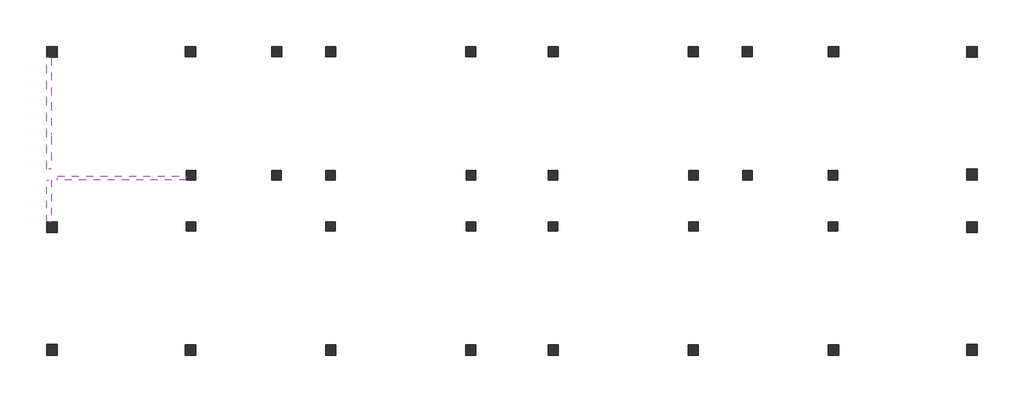
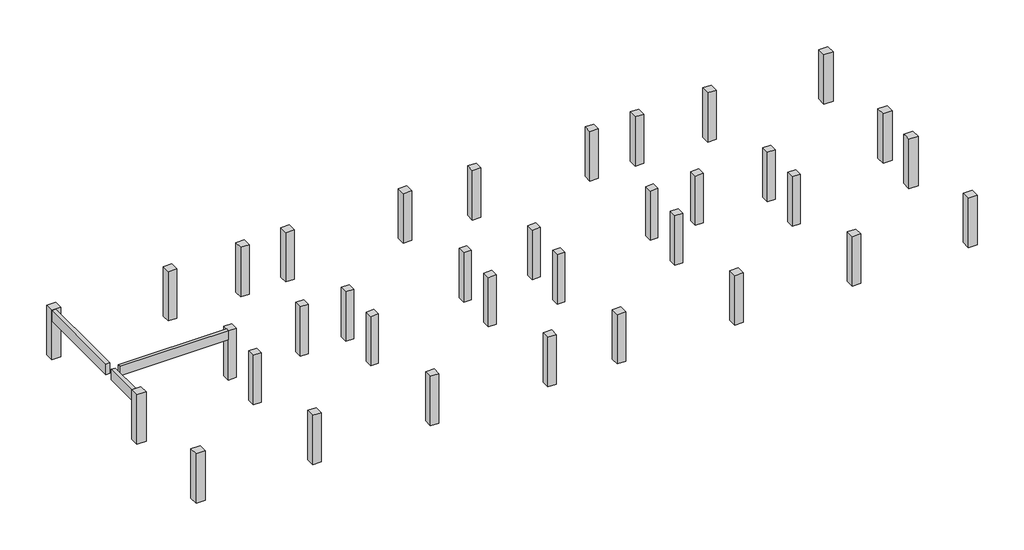
# One storey: 35 columns, 3 beams.
"""IFC4 building model written with IfcOpenShell, lengths in millimetres."""

from ifc_helpers import new_model, si_unit, origin, origin_with_axes, place, context, project, spatial, polyline, outline, extrude, faceted_brep, element, save

model = new_model("IFC4")

# Units and contexts
model_context = context("Model", 3, world=origin())
ifc_project = project(units=[si_unit("LENGTHUNIT", "METRE", prefix="MILLI")], contexts=[model_context])

# Site, building, storey
site = spatial("IfcSite", under=ifc_project)
building = spatial("IfcBuilding", under=site)
storey = spatial("IfcBuildingStorey", under=building, Elevation=0.0)

# Beams
placement = place(None, origin())
element("IfcBeam", 1, at=placement, inside=storey, context=model_context, shape_type="Brep", body=[
    faceted_brep([(-24705.1125676, 2318.5678722, 4000.0), (-25005.1125676, 2318.5678722, 4000.0), (-25005.1125676, -381.4321278, 4000.0), (-24705.1125676, -381.4321278, 4000.0), (-24705.1125676, 2318.5678722, 3150.0), (-24705.1125676, 2318.5678722, 3700.0), (-24705.1125676, -381.4321278, 3700.0), (-24705.1125676, -381.4321278, 3150.0), (-25005.1125676, 2318.5678722, 3150.0), (-25005.1125676, -381.4321278, 3150.0), (-25005.1125676, 2318.5678722, 3700.0), (-25005.1125676, -381.4321278, 3700.0)], [[[0, 1, 2, 3]], [[4, 5, 0, 3, 6, 7]], [[8, 4, 7, 9]], [[1, 10, 8, 9, 11, 2]], [[2, 11, 9, 7, 6, 3]], [[1, 0, 5, 4, 8, 10]]]),
])
element("IfcBeam", 2, at=placement, inside=storey, context=model_context, shape_type="Brep", body=[
    faceted_brep([(-24705.1125676, 10193.5678722, 4000.0), (-25005.1125676, 10193.5678722, 4000.0), (-25005.1125676, 3018.5678722, 4000.0), (-24705.1125676, 3018.5678722, 4000.0), (-24705.1125676, 5118.5678722, 4000.0), (-24705.1125676, 5318.5678722, 4000.0), (-24705.1125676, 10193.5678722, 3150.0), (-24705.1125676, 10193.5678722, 3700.0), (-24705.1125676, 3018.5678722, 3700.0), (-24705.1125676, 3018.5678722, 3150.0), (-25005.1125676, 10193.5678722, 3150.0), (-25005.1125676, 3018.5678722, 3150.0), (-25005.1125676, 10193.5678722, 3700.0), (-25005.1125676, 3018.5678722, 3700.0)], [[[0, 1, 2, 3, 4, 5]], [[6, 7, 0, 5, 4, 3, 8, 9]], [[10, 6, 9, 11]], [[1, 12, 10, 11, 13, 2]], [[1, 0, 7, 6, 10, 12]], [[2, 13, 11, 9, 8, 3]]]),
])
element("IfcBeam", 3, at=placement, inside=storey, context=model_context, shape_type="Brep", body=[
    faceted_brep([(-24305.1125676, 2568.5678722, 4000.0), (-24305.1125676, 2318.5678722, 4000.0), (-16030.1125676, 2318.5678722, 4000.0), (-16030.1125676, 2568.5678722, 4000.0), (-24305.1125676, 2318.5678722, 3700.0), (-24305.1125676, 2318.5678722, 3250.0), (-16030.1125676, 2318.5678722, 3250.0), (-24305.1125676, 2568.5678722, 3250.0), (-16030.1125676, 2568.5678722, 3250.0), (-24305.1125676, 2568.5678722, 3700.0)], [[[0, 1, 2, 3]], [[1, 4, 5, 6, 2]], [[5, 7, 8, 6]], [[7, 9, 0, 3, 8]], [[0, 9, 7, 5, 4, 1]], [[3, 2, 6, 8]]]),
])

# Columns
element("IfcColumn", 4, at=placement, inside=storey, context=model_context, shape_type="SweptSolid", body=[
    extrude(outline(polyline([(-24305.1125676, 10893.5678722), (-24305.1125676, 10193.5678722), (-25005.1125676, 10193.5678722), (-25005.1125676, 10893.5678722), (-24305.1125676, 10893.5678722)])), origin_with_axes(), (0.0, 0.0, 1.0), 4000.0),
])
element("IfcColumn", 5, at=placement, inside=storey, context=model_context, shape_type="SweptSolid", body=[
    extrude(outline(polyline([(-24305.1125676, -381.4321278), (-24305.1125676, -1081.4321278), (-25005.1125676, -1081.4321278), (-25005.1125676, -381.4321278), (-24305.1125676, -381.4321278)])), origin_with_axes(), (0.0, 0.0, 1.0), 4000.0),
])
element("IfcColumn", 6, at=placement, inside=storey, context=model_context, shape_type="SweptSolid", body=[
    extrude(outline(polyline([(-24305.1125676, -8256.4321278), (-24305.1125676, -8956.4321278), (-25005.1125676, -8956.4321278), (-25005.1125676, -8256.4321278), (-24305.1125676, -8256.4321278)])), origin_with_axes(), (0.0, 0.0, 1.0), 4000.0),
])
element("IfcColumn", 7, at=placement, inside=storey, context=model_context, shape_type="SweptSolid", body=[
    extrude(outline(polyline([(-15430.1125676, 10893.5678722), (-15430.1125676, 10243.5678722), (-16080.1125676, 10243.5678722), (-16080.1125676, 10893.5678722), (-15430.1125676, 10893.5678722)])), origin_with_axes(), (0.0, 0.0, 1.0), 4000.0),
])
element("IfcColumn", 8, at=placement, inside=storey, context=model_context, shape_type="SweptSolid", body=[
    extrude(outline(polyline([(-9880.1125676, 10893.5678722), (-9880.1125676, 10243.5678722), (-10530.1125676, 10243.5678722), (-10530.1125676, 10893.5678722), (-9880.1125676, 10893.5678722)])), origin_with_axes(), (0.0, 0.0, 1.0), 4000.0),
])
element("IfcColumn", 9, at=placement, inside=storey, context=model_context, shape_type="SweptSolid", body=[
    extrude(outline(polyline([(-6430.1125676, 10893.5678722), (-6430.1125676, 10243.5678722), (-7080.1125676, 10243.5678722), (-7080.1125676, 10893.5678722), (-6430.1125676, 10893.5678722)])), origin_with_axes(), (0.0, 0.0, 1.0), 4000.0),
])
element("IfcColumn", 10, at=placement, inside=storey, context=model_context, shape_type="Brep", body=[
    faceted_brep([(2569.8874324, 10893.5678722, 0.0), (2569.8874324, 10243.5678722, 0.0), (1919.8874324, 10243.5678722, 0.0), (1919.8874324, 10893.5678722, 0.0), (2569.8874324, 10893.5678722, 4000.0), (2569.8874324, 10593.5678722, 4000.0), (2569.8874324, 10243.5678722, 4000.0), (2569.8874324, 10893.5678722, 3100.0), (1919.8874324, 10243.5678722, 4000.0), (1919.8874324, 10593.5678722, 4000.0), (1919.8874324, 10893.5678722, 4000.0), (1919.8874324, 10893.5678722, 3100.0)], [[[0, 1, 2, 3]], [[4, 5, 6, 1, 0, 7]], [[6, 8, 2, 1]], [[8, 9, 10, 11, 3, 2]], [[10, 4, 7, 0, 3, 11]], [[4, 10, 9, 8, 6, 5]]]),
])
element("IfcColumn", 11, at=placement, inside=storey, context=model_context, shape_type="SweptSolid", body=[
    extrude(outline(polyline([(7869.8874324, 10893.5678722), (7869.8874324, 10243.5678722), (7219.8874324, 10243.5678722), (7219.8874324, 10893.5678722), (7869.8874324, 10893.5678722)])), origin_with_axes(), (0.0, 0.0, 1.0), 4000.0),
])
element("IfcColumn", 12, at=placement, inside=storey, context=model_context, shape_type="SweptSolid", body=[
    extrude(outline(polyline([(16869.8874324, 10893.5678722), (16869.8874324, 10243.5678722), (16219.8874324, 10243.5678722), (16219.8874324, 10893.5678722), (16869.8874324, 10893.5678722)])), origin_with_axes(), (0.0, 0.0, 1.0), 4000.0),
])
element("IfcColumn", 13, at=placement, inside=storey, context=model_context, shape_type="SweptSolid", body=[
    extrude(outline(polyline([(20319.8874324, 10893.5678722), (20319.8874324, 10243.5678722), (19669.8874324, 10243.5678722), (19669.8874324, 10893.5678722), (20319.8874324, 10893.5678722)])), origin_with_axes(), (0.0, 0.0, 1.0), 4000.0),
])
element("IfcColumn", 14, at=placement, inside=storey, context=model_context, shape_type="SweptSolid", body=[
    extrude(outline(polyline([(25869.8874324, 10893.5678722), (25869.8874324, 10243.5678722), (25219.8874324, 10243.5678722), (25219.8874324, 10893.5678722), (25869.8874324, 10893.5678722)])), origin_with_axes(), (0.0, 0.0, 1.0), 4000.0),
])
element("IfcColumn", 15, at=placement, inside=storey, context=model_context, shape_type="SweptSolid", body=[
    extrude(outline(polyline([(34794.8874324, 10893.5678722), (34794.8874324, 10193.5678722), (34094.8874324, 10193.5678722), (34094.8874324, 10893.5678722), (34794.8874324, 10893.5678722)])), origin_with_axes(), (0.0, 0.0, 1.0), 4000.0),
])
element("IfcColumn", 16, at=placement, inside=storey, context=model_context, shape_type="SweptSolid", body=[
    extrude(outline(polyline([(34794.8874324, 3018.5678722), (34794.8874324, 2318.5678722), (34094.8874324, 2318.5678722), (34094.8874324, 3018.5678722), (34794.8874324, 3018.5678722)])), origin_with_axes(), (0.0, 0.0, 1.0), 4000.0),
])
element("IfcColumn", 17, at=placement, inside=storey, context=model_context, shape_type="Brep", body=[
    faceted_brep([(34794.8874324, -381.4321278, 0.0), (34794.8874324, -1081.4321278, 0.0), (34094.8874324, -1081.4321278, 0.0), (34094.8874324, -381.4321278, 0.0), (34794.8874324, -381.4321278, 4000.0), (34794.8874324, -1081.4321278, 4000.0), (34094.8874324, -1081.4321278, 4000.0), (34094.8874324, -631.4321278, 4000.0), (34094.8874324, -381.4321278, 4000.0), (34094.8874324, -381.4321278, 3250.0)], [[[0, 1, 2, 3]], [[4, 5, 1, 0]], [[5, 6, 2, 1]], [[6, 7, 8, 9, 3, 2]], [[8, 4, 0, 3, 9]], [[4, 8, 7, 6, 5]]]),
])
element("IfcColumn", 18, at=placement, inside=storey, context=model_context, shape_type="Brep", body=[
    faceted_brep([(34794.8874324, -8256.4321278, 0.0), (34794.8874324, -8956.4321278, 0.0), (34094.8874324, -8956.4321278, 0.0), (34094.8874324, -8256.4321278, 0.0), (34794.8874324, -8256.4321278, 4000.0), (34794.8874324, -8956.4321278, 4000.0), (34094.8874324, -8956.4321278, 4000.0), (34094.8874324, -8956.4321278, 3100.0), (34094.8874324, -8656.4321278, 4000.0), (34094.8874324, -8256.4321278, 4000.0)], [[[0, 1, 2, 3]], [[4, 5, 1, 0]], [[5, 6, 7, 2, 1]], [[6, 8, 9, 3, 2, 7]], [[9, 4, 0, 3]], [[4, 9, 8, 6, 5]]]),
])
element("IfcColumn", 19, at=placement, inside=storey, context=model_context, shape_type="SweptSolid", body=[
    extrude(outline(polyline([(25869.8874324, -8306.4321278), (25869.8874324, -8956.4321278), (25219.8874324, -8956.4321278), (25219.8874324, -8306.4321278), (25869.8874324, -8306.4321278)])), origin_with_axes(), (0.0, 0.0, 1.0), 4000.0),
])
element("IfcColumn", 20, at=placement, inside=storey, context=model_context, shape_type="SweptSolid", body=[
    extrude(outline(polyline([(-15430.1125676, -8306.4321278), (-15430.1125676, -8956.4321278), (-16080.1125676, -8956.4321278), (-16080.1125676, -8306.4321278), (-15430.1125676, -8306.4321278)])), origin_with_axes(), (0.0, 0.0, 1.0), 4000.0),
])
element("IfcColumn", 21, at=placement, inside=storey, context=model_context, shape_type="SweptSolid", body=[
    extrude(outline(polyline([(-15430.1125676, -381.4321278), (-15430.1125676, -981.4321278), (-16030.1125676, -981.4321278), (-16030.1125676, -381.4321278), (-15430.1125676, -381.4321278)])), origin_with_axes(), (0.0, 0.0, 1.0), 4000.0),
])
element("IfcColumn", 22, at=placement, inside=storey, context=model_context, shape_type="SweptSolid", body=[
    extrude(outline(polyline([(-15430.1125676, 2918.5678722), (-15430.1125676, 2318.5678722), (-16030.1125676, 2318.5678722), (-16030.1125676, 2918.5678722), (-15430.1125676, 2918.5678722)])), origin_with_axes(), (0.0, 0.0, 1.0), 4000.0),
])
element("IfcColumn", 23, at=placement, inside=storey, context=model_context, shape_type="SweptSolid", body=[
    extrude(outline(polyline([(-9930.1125676, 2918.5678722), (-9930.1125676, 2318.5678722), (-10530.1125676, 2318.5678722), (-10530.1125676, 2918.5678722), (-9930.1125676, 2918.5678722)])), origin_with_axes(), (0.0, 0.0, 1.0), 4000.0),
])
element("IfcColumn", 24, at=placement, inside=storey, context=model_context, shape_type="SweptSolid", body=[
    extrude(outline(polyline([(-6455.1125676, 2918.5678722), (-6455.1125676, 2318.5678722), (-7055.1125676, 2318.5678722), (-7055.1125676, 2918.5678722), (-6455.1125676, 2918.5678722)])), origin_with_axes(), (0.0, 0.0, 1.0), 4000.0),
])
element("IfcColumn", 25, at=placement, inside=storey, context=model_context, shape_type="SweptSolid", body=[
    extrude(outline(polyline([(-6455.1125676, -381.4321278), (-6455.1125676, -981.4321278), (-7055.1125676, -981.4321278), (-7055.1125676, -381.4321278), (-6455.1125676, -381.4321278)])), origin_with_axes(), (0.0, 0.0, 1.0), 4000.0),
])
element("IfcColumn", 26, at=placement, inside=storey, context=model_context, shape_type="SweptSolid", body=[
    extrude(outline(polyline([(-6430.1125676, -8306.4321278), (-6430.1125676, -8956.4321278), (-7080.1125676, -8956.4321278), (-7080.1125676, -8306.4321278), (-6430.1125676, -8306.4321278)])), origin_with_axes(), (0.0, 0.0, 1.0), 4000.0),
])
element("IfcColumn", 27, at=placement, inside=storey, context=model_context, shape_type="SweptSolid", body=[
    extrude(outline(polyline([(2569.8874324, -8306.4321278), (2569.8874324, -8956.4321278), (1919.8874324, -8956.4321278), (1919.8874324, -8306.4321278), (2569.8874324, -8306.4321278)])), origin_with_axes(), (0.0, 0.0, 1.0), 4000.0),
])
element("IfcColumn", 28, at=placement, inside=storey, context=model_context, shape_type="SweptSolid", body=[
    extrude(outline(polyline([(2569.8874324, -381.4321278), (2569.8874324, -981.4321278), (1969.8874324, -981.4321278), (1969.8874324, -381.4321278), (2569.8874324, -381.4321278)])), origin_with_axes(), (0.0, 0.0, 1.0), 4000.0),
])
element("IfcColumn", 29, at=placement, inside=storey, context=model_context, shape_type="SweptSolid", body=[
    extrude(outline(polyline([(2569.8874324, 2918.5678722), (2569.8874324, 2318.5678722), (1969.8874324, 2318.5678722), (1969.8874324, 2918.5678722), (2569.8874324, 2918.5678722)])), origin_with_axes(), (0.0, 0.0, 1.0), 4000.0),
])
element("IfcColumn", 30, at=placement, inside=storey, context=model_context, shape_type="SweptSolid", body=[
    extrude(outline(polyline([(7819.8874324, 2918.5678722), (7819.8874324, 2318.5678722), (7219.8874324, 2318.5678722), (7219.8874324, 2918.5678722), (7819.8874324, 2918.5678722)])), origin_with_axes(), (0.0, 0.0, 1.0), 4000.0),
])
element("IfcColumn", 31, at=placement, inside=storey, context=model_context, shape_type="SweptSolid", body=[
    extrude(outline(polyline([(7819.8874324, -381.4321278), (7819.8874324, -981.4321278), (7219.8874324, -981.4321278), (7219.8874324, -381.4321278), (7819.8874324, -381.4321278)])), origin_with_axes(), (0.0, 0.0, 1.0), 4000.0),
])
element("IfcColumn", 32, at=placement, inside=storey, context=model_context, shape_type="SweptSolid", body=[
    extrude(outline(polyline([(7869.8874324, -8306.4321278), (7869.8874324, -8956.4321278), (7219.8874324, -8956.4321278), (7219.8874324, -8306.4321278), (7869.8874324, -8306.4321278)])), origin_with_axes(), (0.0, 0.0, 1.0), 4000.0),
])
element("IfcColumn", 33, at=placement, inside=storey, context=model_context, shape_type="SweptSolid", body=[
    extrude(outline(polyline([(16869.8874324, -8306.4321278), (16869.8874324, -8956.4321278), (16219.8874324, -8956.4321278), (16219.8874324, -8306.4321278), (16869.8874324, -8306.4321278)])), origin_with_axes(), (0.0, 0.0, 1.0), 4000.0),
])
element("IfcColumn", 34, at=placement, inside=storey, context=model_context, shape_type="SweptSolid", body=[
    extrude(outline(polyline([(16844.8874324, -381.4321278), (16844.8874324, -981.4321278), (16244.8874324, -981.4321278), (16244.8874324, -381.4321278), (16844.8874324, -381.4321278)])), origin_with_axes(), (0.0, 0.0, 1.0), 4000.0),
])
element("IfcColumn", 35, at=placement, inside=storey, context=model_context, shape_type="SweptSolid", body=[
    extrude(outline(polyline([(16844.8874324, 2918.5678722), (16844.8874324, 2318.5678722), (16244.8874324, 2318.5678722), (16244.8874324, 2918.5678722), (16844.8874324, 2918.5678722)])), origin_with_axes(), (0.0, 0.0, 1.0), 4000.0),
])
element("IfcColumn", 36, at=placement, inside=storey, context=model_context, shape_type="SweptSolid", body=[
    extrude(outline(polyline([(20319.8874324, 2918.5678722), (20319.8874324, 2318.5678722), (19719.8874324, 2318.5678722), (19719.8874324, 2918.5678722), (20319.8874324, 2918.5678722)])), origin_with_axes(), (0.0, 0.0, 1.0), 4000.0),
])
element("IfcColumn", 37, at=placement, inside=storey, context=model_context, shape_type="SweptSolid", body=[
    extrude(outline(polyline([(25819.8874324, 2918.5678722), (25819.8874324, 2318.5678722), (25219.8874324, 2318.5678722), (25219.8874324, 2918.5678722), (25819.8874324, 2918.5678722)])), origin_with_axes(), (0.0, 0.0, 1.0), 4000.0),
])
element("IfcColumn", 38, at=placement, inside=storey, context=model_context, shape_type="SweptSolid", body=[
    extrude(outline(polyline([(25819.8874324, -381.4321278), (25819.8874324, -981.4321278), (25219.8874324, -981.4321278), (25219.8874324, -381.4321278), (25819.8874324, -381.4321278)])), origin_with_axes(), (0.0, 0.0, 1.0), 4000.0),
])

save(model, "model.ifc")
